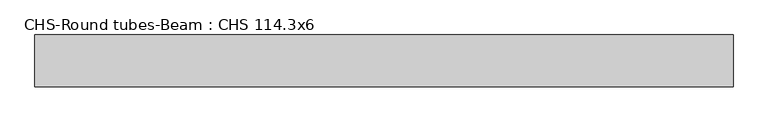
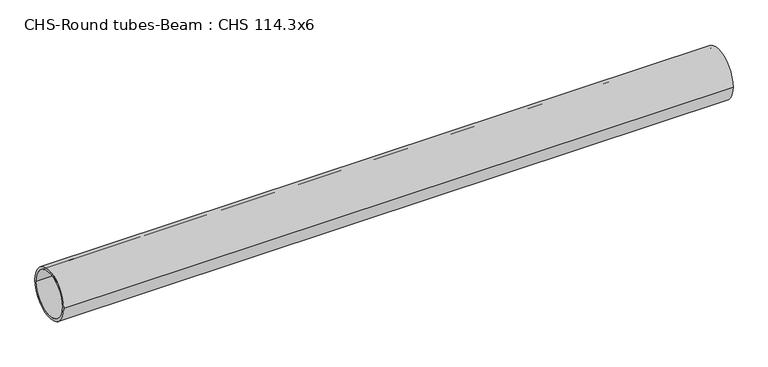
"""IFC4 building model written with IfcOpenShell, lengths in millimetres: beam geometry, CHS-Round tubes-Beam : CHS 114.3x6."""

from ifc_helpers import new_model, si_unit, point, frame, origin, origin_2d, place, context, project, spatial, circle_curve, trimmed, segment, composite_curve, outline, extrude, source, transform, mapped, element, save


def chs_round_tubes_beam_chs_114_3x6_fb6a925a(model_context):
    return source(origin(), model_context, "Body", "SweptSolid", [
        extrude(outline(composite_curve([segment(trimmed(circle_curve(origin_2d(), 57.15), [point((57.15, 0.0))], [point((-57.15, 0.0))], False, "CARTESIAN"), True, "CONTINUOUS"), segment(trimmed(circle_curve(origin_2d(), 57.15), [point((-57.15, 0.0))], [point((57.15, 0.0))], False, "CARTESIAN"), True, "CONTINUOUS")], self_intersect=False), holes=[composite_curve([segment(trimmed(circle_curve(origin_2d(), 51.15), [point((51.15, 0.0))], [point((-51.15, 0.0))], True, "CARTESIAN"), True, "CONTINUOUS"), segment(trimmed(circle_curve(origin_2d(), 51.15), [point((-51.15, 0.0))], [point((51.15, 0.0))], True, "CARTESIAN"), True, "CONTINUOUS")], self_intersect=False)]), frame((-761.1355376, 0.0, 0.0), z_axis=(1.0, 0.0, 0.0), x_axis=(0.0, 1.0, 0.0)), (0.0, 0.0, 1.0), 1532.8708923),
    ])


if __name__ == "__main__":
    model = new_model("IFC4")
    model_context = context("Model", 3, world=origin())
    ifc_project = project(units=[si_unit("LENGTHUNIT", "METRE", prefix="MILLI")], contexts=[model_context])
    site = spatial("IfcSite", under=ifc_project)
    building = spatial("IfcBuilding", under=site)
    placement = place(None, origin())
    chs_round_tubes_beam_chs_114_3x6_shape = chs_round_tubes_beam_chs_114_3x6_fb6a925a(model_context)
    element("IfcBeam", 1, ObjectType="CHS-Round tubes-Beam : CHS 114.3x6", at=placement, inside=building, context=model_context, shape_type="MappedRepresentation", body=[
        mapped(chs_round_tubes_beam_chs_114_3x6_shape, transform((0.0, 0.0, 0.0), x_axis=(1.0, 0.0, 0.0), y_axis=(0.0, 1.0, 0.0), z_axis=(0.0, 0.0, 1.0))),
    ])
    save(model, "model.ifc")
